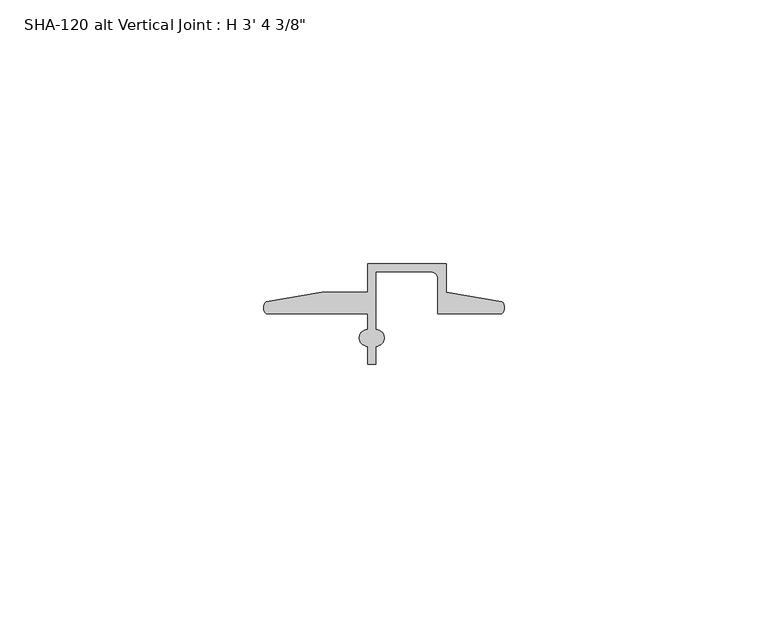
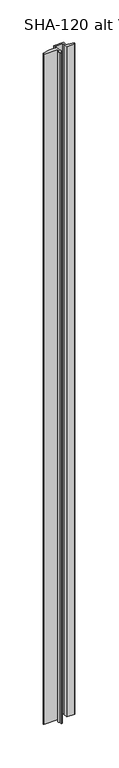
"""IFC4 building model written with IfcOpenShell, lengths in millimetres: proxy geometry."""

from ifc_helpers import new_model, si_unit, point, frame_2d, origin, origin_with_axes, place, context, project, spatial, polyline, circle_curve, trimmed, segment, composite_curve, outline, extrude, source, transform, mapped, element, save


def proxy_2c93bb90(model_context):
    return source(origin(), model_context, "Body", "SweptSolid", [
        extrude(outline(composite_curve([segment(trimmed(circle_curve(frame_2d((1.6155848, 11.7336765)), 1.6162393), [point((0.5248271, 10.541))], [point((0.4587433, 12.8623692))], False, "CARTESIAN"), True, "CONTINUOUS"), segment(polyline([(0.4587433, 12.8623692), (11.0348302, 14.673343), (19.7299797, 14.673343), (19.7299797, 20.0914), (34.6397797, 20.0914), (34.6397797, 14.698743), (45.2158666, 12.8877692)]), True, "CONTINUOUS"), segment(trimmed(circle_curve(frame_2d((44.0583525, 11.7590956)), 1.6167075), [point((45.2158666, 12.8877692))], [point((45.1497828, 10.5664))], False, "CARTESIAN"), True, "CONTINUOUS"), segment(polyline([(45.1497828, 10.5664), (33.0649797, 10.5664), (33.0649797, 17.2466)]), True, "CONTINUOUS"), segment(trimmed(circle_curve(frame_2d((31.7949797, 17.2466)), 1.27), [point((33.0649797, 17.2466))], [point((31.7949797, 18.5166))], True, "CARTESIAN"), True, "CONTINUOUS"), segment(polyline([(31.7949797, 18.5166), (21.3047797, 18.5166), (21.3047797, 7.5765422)]), True, "CONTINUOUS"), segment(trimmed(circle_curve(frame_2d((21.3047797, 6.0017422)), 1.5748), [point((21.3047797, 7.5765422))], [point((21.3047797, 4.4269422))], False, "CARTESIAN"), True, "CONTINUOUS"), segment(polyline([(21.3047797, 4.4269422), (21.3047797, 1.0414), (19.7299794, 1.0414), (19.7299794, 4.4269422)]), True, "CONTINUOUS"), segment(trimmed(circle_curve(frame_2d((19.7299794, 6.0017422)), 1.5748), [point((19.7299794, 4.4269422))], [point((19.7299794, 7.5765422))], False, "CARTESIAN"), True, "CONTINUOUS"), segment(polyline([(19.7299794, 7.5765422), (19.7299794, 10.541), (0.5248271, 10.541)]), True, "CONTINUOUS")], self_intersect=False)), origin_with_axes(), (0.0, 0.0, 1.0), 1025.525),
    ])


if __name__ == "__main__":
    model = new_model("IFC4")
    model_context = context("Model", 3, world=origin())
    ifc_project = project(units=[si_unit("LENGTHUNIT", "METRE", prefix="MILLI")], contexts=[model_context])
    site = spatial("IfcSite", under=ifc_project)
    building = spatial("IfcBuilding", under=site)
    placement = place(None, origin())
    proxy_shape = proxy_2c93bb90(model_context)
    element("IfcBuildingElementProxy", 1, Name="SHA-120 alt Vertical Joint : H 3' 4 3/8\"", ObjectType="SHA-120 alt Vertical Joint : H 3' 4 3/8\"", at=placement, inside=building, context=model_context, shape_type="MappedRepresentation", body=[
        mapped(proxy_shape, transform((0.0, 0.0, 0.0), x_axis=(1.0, 0.0, 0.0), y_axis=(0.0, 1.0, 0.0), z_axis=(0.0, 0.0, 1.0))),
    ])
    save(model, "model.ifc")
